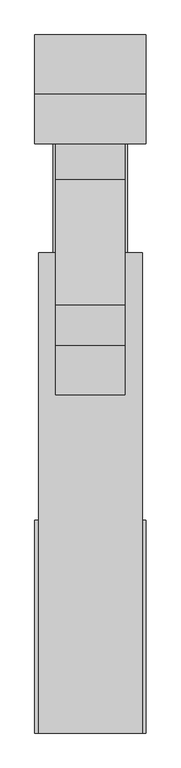
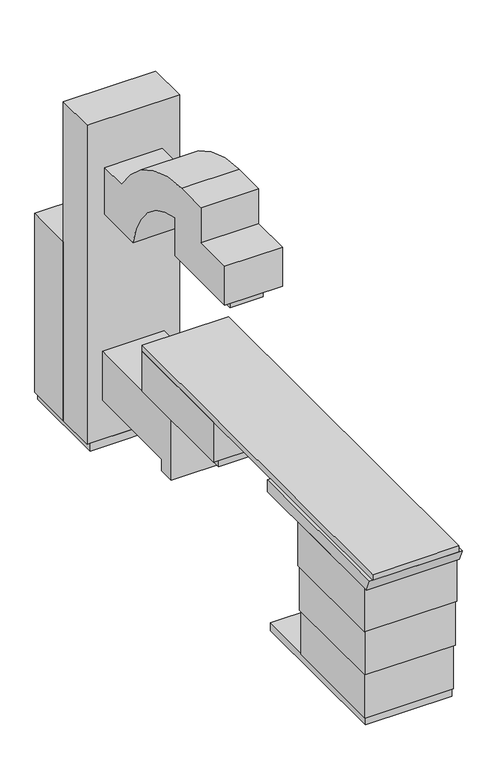
"""IFC4 building model written with IfcOpenShell, lengths in millimetres: proxy geometry."""

from ifc_helpers import new_model, si_unit, point, frame, frame_2d, origin, origin_with_axes, place, context, project, spatial, polyline, circle_curve, trimmed, segment, composite_curve, outline, extrude, source, transform, mapped, element, save


def generic_models_101e7188(model_context):
    return source(origin(), model_context, "Body", "SweptSolid", [
        extrude(outline(polyline([(0.0, 1119.969557), (0.0, 1678.769557), (533.4, 1678.769557), (533.4, 1119.969557), (0.0, 1119.969557)])), origin_with_axes(), (0.0, 0.0, 1.0), 50.8),
        extrude(outline(polyline([(239.0162779, 1664.2570761), (289.8162779, 1664.2570761), (289.8162779, 1613.4570761), (-91.1837221, 1613.4570761), (-91.1837221, 1664.2570761), (-40.3837221, 1664.2570761), (-40.3837221, 1702.3570761), (239.0162779, 1702.3570761), (239.0162779, 1664.2570761)])), frame((165.1, 0.0, 0.0), z_axis=(1.0, 0.0, 0.0), x_axis=(0.0, 1.0, 0.0)), (0.0, 0.0, 1.0), 203.2),
        extrude(outline(composite_curve([segment(trimmed(circle_curve(frame_2d((281.2562495, 1412.6979312)), 543.7265304), [point((815.169557, 1515.5333333))], [point((366.0162779, 1949.7773271))], True, "CARTESIAN"), True, "CONTINUOUS"), segment(polyline([(366.0162779, 1949.7773271), (366.0162779, 1702.3570761), (-167.3837221, 1702.3570761), (-167.3837221, 1956.3570761), (86.6162779, 1956.3570761), (86.6162779, 2184.928745)]), True, "CONTINUOUS"), segment(trimmed(circle_curve(frame_2d((190.0157325, -4382.112441)), 6567.8551587), [point((86.6162779, 2184.928745))], [point((293.4151872, 2184.928745))], False, "CARTESIAN"), True, "CONTINUOUS"), segment(trimmed(circle_curve(frame_2d((281.2562495, 1412.6979312)), 772.3265304), [point((293.4151872, 2184.928745))], [point((937.2453107, 1820.3333333))], False, "CARTESIAN"), True, "CONTINUOUS"), segment(polyline([(937.2453107, 1820.3333333), (1119.969557, 1820.3333333), (1119.969557, 1515.5333333), (815.169557, 1515.5333333)]), True, "CONTINUOUS")], self_intersect=False)), frame((88.9, 0.0, 0.0), z_axis=(1.0, 0.0, 0.0), x_axis=(0.0, 1.0, 0.0)), (0.0, 0.0, 1.0), 355.6),
        extrude(outline(polyline([(-19.05, 1373.969557), (-19.05, 1678.769557), (552.45, 1678.769557), (552.45, 1373.969557), (-19.05, 1373.969557)])), frame((0.0, 0.0, 50.8), z_axis=(0.0, 0.0, 1.0), x_axis=(1.0, 0.0, 0.0)), (0.0, 0.0, 1.0), 1168.4),
        extrude(outline(polyline([(-19.05, 1119.969557), (-19.05, 1373.969557), (552.45, 1373.969557), (552.45, 1119.969557), (-19.05, 1119.969557)])), frame((0.0, 0.0, 50.8), z_axis=(0.0, 0.0, 1.0), x_axis=(1.0, 0.0, 0.0)), (0.0, 0.0, 1.0), 2082.8),
        extrude(outline(polyline([(0.0, 561.169557), (533.4, 561.169557), (533.4, -200.830443), (0.0, -200.830443), (0.0, 561.169557)])), frame((0.0, 0.0, 728.1333333), z_axis=(0.0, 0.0, 1.0), x_axis=(1.0, 0.0, 0.0)), (0.0, 0.0, 1.0), 262.4666667),
        extrude(outline(polyline([(484.969557, 626.5333333), (1119.969557, 626.5333333), (1119.969557, 304.8), (484.969557, 304.8), (484.969557, 228.6), (383.369557, 228.6), (383.369557, 626.5333333), (-124.630443, 626.5333333), (-124.630443, 728.1333333), (484.969557, 728.1333333), (484.969557, 626.5333333)])), frame((76.2, 0.0, 0.0), z_axis=(1.0, 0.0, 0.0), x_axis=(0.0, 1.0, 0.0)), (0.0, 0.0, 1.0), 381.0),
        extrude(outline(polyline([(533.4, 561.169557), (533.4, -1905.0), (0.0, -1905.0), (0.0, 561.169557), (533.4, 561.169557)])), frame((0.0, 0.0, 990.6), z_axis=(0.0, 0.0, 1.0), x_axis=(1.0, 0.0, 0.0)), (0.0, 0.0, 1.0), 38.1),
        extrude(outline(polyline([(-812.8, 914.4), (-1847.85, 914.4), (-1873.25, 914.4), (-1905.0, 990.6), (-812.8, 990.6), (-812.8, 914.4)])), frame((-19.05, 0.0, 0.0), z_axis=(1.0, 0.0, 0.0), x_axis=(0.0, 1.0, 0.0)), (0.0, 0.0, 1.0), 571.5),
        extrude(outline(polyline([(552.45, -1136.65), (552.45, -1847.85), (-19.05, -1847.85), (-19.05, -1136.65), (552.45, -1136.65)])), frame((0.0, 0.0, 626.5333333), z_axis=(0.0, 0.0, 1.0), x_axis=(1.0, 0.0, 0.0)), (0.0, 0.0, 1.0), 287.8666667),
        extrude(outline(polyline([(546.1, -1143.0), (546.1, -1841.5), (-12.7, -1841.5), (-12.7, -1143.0), (546.1, -1143.0)])), frame((0.0, 0.0, 338.6666667), z_axis=(0.0, 0.0, 1.0), x_axis=(1.0, 0.0, 0.0)), (0.0, 0.0, 1.0), 287.8666667),
        extrude(outline(polyline([(539.75, -1149.35), (539.75, -1835.15), (-6.35, -1835.15), (-6.35, -1149.35), (539.75, -1149.35)])), frame((0.0, 0.0, 50.8), z_axis=(0.0, 0.0, 1.0), x_axis=(1.0, 0.0, 0.0)), (0.0, 0.0, 1.0), 287.8666667),
        extrude(outline(polyline([(533.4, -1828.8), (0.0, -1828.8), (0.0, -812.8), (533.4, -812.8), (533.4, -1828.8)])), origin_with_axes(), (0.0, 0.0, 1.0), 50.8),
    ])


if __name__ == "__main__":
    model = new_model("IFC4")
    model_context = context("Model", 3, world=origin())
    ifc_project = project(units=[si_unit("LENGTHUNIT", "METRE", prefix="MILLI")], contexts=[model_context])
    site = spatial("IfcSite", under=ifc_project)
    building = spatial("IfcBuilding", under=site)
    placement = place(None, origin())
    generic_models_shape = generic_models_101e7188(model_context)
    element("IfcBuildingElementProxy", 1, Name="Generic Models", at=placement, inside=building, context=model_context, shape_type="MappedRepresentation", body=[
        mapped(generic_models_shape, transform((0.0, 0.0, 0.0), x_axis=(1.0, 0.0, 0.0), y_axis=(0.0, 1.0, 0.0), z_axis=(0.0, 0.0, 1.0))),
    ])
    save(model, "model.ifc")
